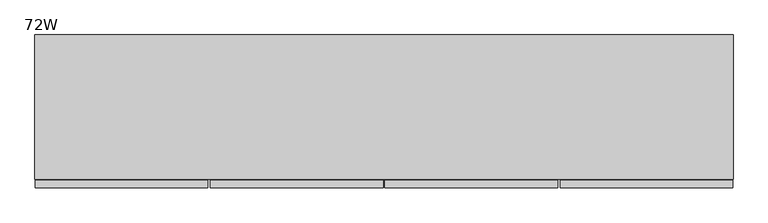
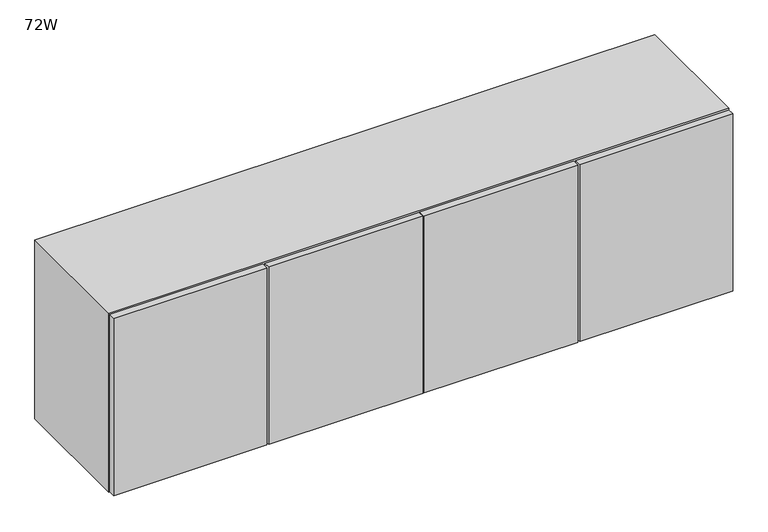
"""IFC4 building model written with IfcOpenShell, lengths in millimetres: furniture geometry, 72W."""

import ifcopenshell
import ifcopenshell.guid

model = None  # the IFC model being written
_history = None  # IfcOwnerHistory: only IFC2X3 demands one
_inside = {}  # id of a spatial element -> (the spatial element, [elements in it])
_under = {}  # id of a project, library or spatial element -> (it, [spatial elements below it])
_declared = {}  # id of a project -> (the project, [libraries it declares])
_typed = {}  # id of a type object -> (the type object, [elements of that type])
_made_of = {}  # id of a material, layer set ... -> (it, [elements and type objects made of it])


def new_model(schema):
    """Start an empty IFC model of exactly this schema.

    Asked for "IFC4X3", IfcOpenShell would pick the latest addendum, in which some entities
    have other attributes; the version numbers below select the first issue.
    IFC2X3 requires an IfcOwnerHistory on every rooted entity: one is made here for all.
    """
    global model, _history
    if schema == "IFC4X3":
        model = ifcopenshell.file(schema_version=(4, 3, 0, 0))
    else:
        model = ifcopenshell.file(schema=schema)
    _inside.clear()
    _under.clear()
    _declared.clear()
    _typed.clear()
    _made_of.clear()
    _history = None
    if model.schema == "IFC2X3":
        org = make("IfcOrganization", Name="unknown")
        user = make(
            "IfcPersonAndOrganization",
            ThePerson=make("IfcPerson", FamilyName="unknown"),
            TheOrganization=org,
        )
        app = make(
            "IfcApplication",
            ApplicationDeveloper=org,
            Version="unknown",
            ApplicationFullName="unknown",
            ApplicationIdentifier="unknown",
        )
        _history = make(
            "IfcOwnerHistory",
            OwningUser=user,
            OwningApplication=app,
            ChangeAction="ADDED",
            CreationDate=0,
        )
    return model


def make(cls, **values):
    """One entity of the class cls with the attributes given. An attribute that is None is left unset."""
    return model.create_entity(
        cls, **{name: value for name, value in values.items() if value is not None}
    )


def rooted(cls, **values):
    """An entity with a GlobalId (a new one), such as an element, a storey or a relation."""
    return make(cls, GlobalId=ifcopenshell.guid.new(), OwnerHistory=_history, **values)


def si_unit(unit_type, name, prefix=None):
    """IfcSIUnit, for example si_unit("LENGTHUNIT", "METRE", prefix="MILLI")."""
    return make("IfcSIUnit", UnitType=unit_type, Prefix=prefix, Name=name)


def assignment(units):
    """IfcUnitAssignment: the units of a project."""
    return None if units is None else make("IfcUnitAssignment", Units=units)


def point(xyz):
    """IfcCartesianPoint."""
    return None if xyz is None else make("IfcCartesianPoint", Coordinates=xyz)


def direction(xyz):
    """IfcDirection."""
    return None if xyz is None else make("IfcDirection", DirectionRatios=xyz)


def frame(location, z_axis=None, x_axis=None):
    """IfcAxis2Placement3D, a coordinate frame: its origin and axes. An axis left out is left unset."""
    return make(
        "IfcAxis2Placement3D",
        Location=point(location),
        Axis=direction(z_axis),
        RefDirection=direction(x_axis),
    )


def origin():
    """The frame at (0, 0, 0) with its axes left unset."""
    return frame((0.0, 0.0, 0.0))


def place(relative_to, where):
    """IfcLocalPlacement: puts the frame where relative to a parent placement (None: the world)."""
    return make(
        "IfcLocalPlacement", PlacementRelTo=relative_to, RelativePlacement=where
    )


def context(
    kind, dimensions, precision=None, world=None, true_north=None, identifier=None
):
    """IfcGeometricRepresentationContext, for example the 3D "Model" context."""
    return make(
        "IfcGeometricRepresentationContext",
        ContextIdentifier=identifier,
        ContextType=kind,
        CoordinateSpaceDimension=dimensions,
        Precision=precision,
        WorldCoordinateSystem=world,
        TrueNorth=true_north,
    )


def project(units=None, contexts=None):
    """IfcProject with its units and contexts."""
    return rooted(
        "IfcProject",
        Name="project",
        RepresentationContexts=contexts,
        UnitsInContext=assignment(units),
    )


def spatial(cls, under=None, at=None, **own):
    """A site, building, storey or space (cls), placed at a placement, below another one or the project."""
    s = rooted(cls, ObjectPlacement=at, **own)
    if under is not None:
        _under.setdefault(under.id(), (under, []))[1].append(s)
    return s


def polyline(points):
    """IfcPolyline through the points."""
    return make("IfcPolyline", Points=[point(p) for p in points])


def outline(outer, holes=None, kind="AREA"):
    """IfcArbitraryClosedProfileDef: a profile drawn as a closed curve; with holes, ...WithVoids."""
    if holes is None:
        return make("IfcArbitraryClosedProfileDef", ProfileType=kind, OuterCurve=outer)
    return make(
        "IfcArbitraryProfileDefWithVoids",
        ProfileType=kind,
        OuterCurve=outer,
        InnerCurves=holes,
    )


def extrude(swept, where, along, depth):
    """IfcExtrudedAreaSolid: the profile swept, set in the frame where, extruded along a direction by depth."""
    return make(
        "IfcExtrudedAreaSolid",
        SweptArea=swept,
        Position=where,
        ExtrudedDirection=direction(along),
        Depth=depth,
    )


def faces_of(points, faces, orient=None, outer=None):
    """IfcFace entities. A face is a list of loops; a loop is a list of indices into points, from 0.

    orient and outer hold one flag for each loop. By default every Orientation is true, the
    first loop of a face is its IfcFaceOuterBound and the others are IfcFaceBound.
    """
    made = []
    for i, loops in enumerate(faces):
        bounds = []
        for j, loop in enumerate(loops):
            is_outer = j == 0 if outer is None else outer[i][j]
            bounds.append(
                make(
                    "IfcFaceOuterBound" if is_outer else "IfcFaceBound",
                    Bound=make("IfcPolyLoop", Polygon=[points[k] for k in loop]),
                    Orientation=True if orient is None else orient[i][j],
                )
            )
        made.append(make("IfcFace", Bounds=bounds))
    return made


def faceted_brep(points, faces, orient=None, outer=None, voids=None):
    """IfcFacetedBrep: a solid bounded by flat faces; with voids (closed shells), ...WithVoids."""
    shared = [point(p) for p in points]
    hull = make("IfcClosedShell", CfsFaces=faces_of(shared, faces, orient, outer))
    if voids is None:
        return make("IfcFacetedBrep", Outer=hull)
    return make(
        "IfcFacetedBrepWithVoids",
        Outer=hull,
        Voids=[
            make(cls, CfsFaces=faces_of(shared, fs, o, b)) for cls, fs, o, b in voids
        ],
    )


def shape(context_of_items, identifier, shape_type, items):
    """IfcShapeRepresentation: the items that make up one representation, for example the "Body"."""
    return make(
        "IfcShapeRepresentation",
        ContextOfItems=context_of_items,
        RepresentationIdentifier=identifier,
        RepresentationType=shape_type,
        Items=items,
    )


def source(mapping_origin, context_of_items, identifier, shape_type, items):
    """IfcRepresentationMap: a shape defined once, which mapped items show again and again."""
    return make(
        "IfcRepresentationMap",
        MappingOrigin=mapping_origin,
        MappedRepresentation=shape(context_of_items, identifier, shape_type, items),
    )


def transform(
    local_origin,
    x_axis=None,
    y_axis=None,
    z_axis=None,
    scale=None,
    scale2=None,
    scale3=None,
    uniform=True,
):
    """IfcCartesianTransformationOperator3D, or its non-uniform kind. x_axis, y_axis, z_axis: its Axis1, 2, 3."""
    if uniform:
        return make(
            "IfcCartesianTransformationOperator3D",
            Axis1=direction(x_axis),
            Axis2=direction(y_axis),
            LocalOrigin=point(local_origin),
            Scale=scale,
            Axis3=direction(z_axis),
        )
    return make(
        "IfcCartesianTransformationOperator3DnonUniform",
        Axis1=direction(x_axis),
        Axis2=direction(y_axis),
        LocalOrigin=point(local_origin),
        Scale=scale,
        Axis3=direction(z_axis),
        Scale2=scale2,
        Scale3=scale3,
    )


def mapped(mapping_source, mapping_target):
    """IfcMappedItem: shows the shape of a source again, moved by a transform."""
    return make(
        "IfcMappedItem", MappingSource=mapping_source, MappingTarget=mapping_target
    )


def made_of(thing, what):
    """Note that an element or type object is made of a material, layer set ...; save() writes the relation."""
    if what is not None:
        _made_of.setdefault(what.id(), (what, []))[1].append(thing)
    return thing


def element(
    cls,
    number,
    at=None,
    inside=None,
    cuts=None,
    type_object=None,
    material=None,
    context=None,
    identifier="Body",
    shape_type=None,
    held_by="IfcProductDefinitionShape",
    body=None,
    shapes=None,
    **own,
):
    """One element of the class cls, such as IfcWall. Its Tag is "e" and its number.

    at: its placement. inside: the storey or other place that contains it. cuts: it is an
    opening in that element (IfcRelVoidsElement). A single representation is given by context,
    identifier, shape_type and body (its items); several are given by shapes. held_by: the class
    of the entity that holds the representations. save() writes the other relations.
    """
    e = rooted(cls, Tag="e%d" % number, ObjectPlacement=at, **own)
    if body is not None:
        shapes = [shape(context, identifier, shape_type, body)]
    if shapes is not None:
        e.Representation = make(held_by, Representations=shapes)
    if inside is not None:
        _inside.setdefault(inside.id(), (inside, []))[1].append(e)
    if cuts is not None:
        rooted(
            "IfcRelVoidsElement", RelatingBuildingElement=cuts, RelatedOpeningElement=e
        )
    if type_object is not None:
        _typed.setdefault(type_object.id(), (type_object, []))[1].append(e)
    return made_of(e, material)


def aggregate(whole, parts):
    """IfcRelAggregates: a whole, such as a stair, and the parts it consists of."""
    return rooted("IfcRelAggregates", RelatingObject=whole, RelatedObjects=parts)


def save(model, path):
    """Write the relations noted so far, then the file.

    IfcRelAggregates (storeys below a building ...), IfcRelContainedInSpatialStructure (elements
    in a storey), IfcRelDefinesByType, IfcRelAssociatesMaterial and IfcRelDeclares: one each for
    every whole, place, type object, material and project.
    """
    for whole, parts in _under.values():
        aggregate(whole, parts)
    for where, things in _inside.values():
        rooted(
            "IfcRelContainedInSpatialStructure",
            RelatedElements=things,
            RelatingStructure=where,
        )
    for kind, things in _typed.values():
        rooted("IfcRelDefinesByType", RelatedObjects=things, RelatingType=kind)
    for what, things in _made_of.values():
        rooted("IfcRelAssociatesMaterial", RelatedObjects=things, RelatingMaterial=what)
    for by, libraries in _declared.values():
        rooted("IfcRelDeclares", RelatingContext=by, RelatedDefinitions=libraries)
    model.write(path)


def furniture_72w_4e4fd46c(model_context):
    return source(origin(), model_context, "Body", "SolidModel", [
        extrude(outline(polyline([(915.4792985, -380.3650097), (1369.2505543, -380.3650097), (1369.2505543, -400.05), (915.4792985, -400.05), (915.4792985, -380.3650097)])), frame((0.0, 0.0, 1111.1992008), z_axis=(0.0, 0.0, 1.0), x_axis=(1.0, 0.0, 0.0)), (0.0, 0.0, 1.0), 552.8055984),
        extrude(outline(polyline([(912.3044302, -380.3650097), (912.3044302, -400.05), (458.5337558, -400.05), (458.5337558, -380.3650097), (912.3044302, -380.3650097)])), frame((0.0, 0.0, 1111.1992008), z_axis=(0.0, 0.0, 1.0), x_axis=(1.0, 0.0, 0.0)), (0.0, 0.0, 1.0), 552.8055984),
        extrude(outline(polyline([(452.7676736, -380.3650097), (452.7676736, -400.05), (1.5010712, -400.05), (1.5010712, -380.3650097), (452.7676736, -380.3650097)])), frame((0.0, 0.0, 1111.1992008), z_axis=(0.0, 0.0, 1.0), x_axis=(1.0, 0.0, 0.0)), (0.0, 0.0, 1.0), 552.8055984),
        extrude(outline(polyline([(1826.26, -380.3650097), (1826.26, -400.05), (1375.0796868, -400.05), (1375.0796868, -380.3650097), (1826.26, -380.3650097)])), frame((0.0, 0.0, 1111.1992008), z_axis=(0.0, 0.0, 1.0), x_axis=(1.0, 0.0, 0.0)), (0.0, 0.0, 1.0), 552.8055984),
        faceted_brep([(903.8084682, -377.8757721, 1128.3696643), (903.8084682, -377.8757721, 1646.8343357), (903.8084682, -20.1675917, 1646.8343357), (903.8084682, -20.1675917, 1128.3696643), (0.0, -377.8757721, 1667.002), (0.0, -377.8757721, 1108.202), (1827.784, -377.8757721, 1108.202), (1827.784, -377.8757721, 1667.002), (467.0296868, -377.8757721, 1128.3696643), (467.0296868, -377.8757721, 1646.8343357), (923.9755318, -377.8757721, 1128.3696643), (923.9755318, -377.8757721, 1646.8343357), (1360.7543132, -377.8757721, 1646.8343357), (1360.7543132, -377.8757721, 1128.3696643), (1807.6166263, -377.8757721, 1646.8343357), (1807.6166263, -377.8757721, 1128.3696643), (1380.9216868, -377.8757721, 1128.3696643), (1380.9216868, -377.8757721, 1646.8343357), (20.1673737, -377.8757721, 1128.3696643), (20.1673737, -377.8757721, 1646.8343357), (446.8623132, -377.8757721, 1646.8343357), (446.8623132, -377.8757721, 1128.3696643), (923.9755318, -20.1675917, 1128.3696643), (923.9755318, -20.1675917, 1646.8343357), (467.0296868, -20.1675917, 1128.3696643), (1360.7543132, -20.1675917, 1128.3696643), (20.1673737, -20.1675917, 1128.3696643), (446.8623132, -20.1675917, 1128.3696643), (1807.6166263, -20.1675917, 1128.3696643), (1380.9216868, -20.1675917, 1128.3696643), (0.0, 0.0, 1108.202), (1827.784, 0.0, 1108.202), (0.0, 0.0, 1667.002), (1827.784, 0.0, 1667.002), (20.1673737, -20.1675917, 1646.8343357), (467.0296868, -20.1675917, 1646.8343357), (1360.7543132, -20.1675917, 1646.8343357), (446.8623132, -20.1675917, 1646.8343357), (1807.6166263, -20.1675917, 1646.8343357), (1380.9216868, -20.1675917, 1646.8343357)], [[[0, 1, 2, 3]], [[4, 5, 6, 7], [1, 0, 8, 9], [10, 11, 12, 13], [14, 15, 16, 17], [18, 19, 20, 21]], [[11, 10, 22, 23]], [[0, 3, 24, 8]], [[22, 10, 13, 25]], [[26, 18, 21, 27]], [[15, 28, 29, 16]], [[30, 31, 6, 5]], [[32, 4, 7, 33]], [[4, 32, 30, 5]], [[18, 26, 34, 19]], [[3, 2, 35, 24]], [[23, 22, 25, 36]], [[34, 26, 27, 37]], [[28, 38, 39, 29]], [[28, 15, 14, 38]], [[33, 7, 6, 31]], [[32, 33, 31, 30]], [[2, 1, 9, 35]], [[11, 23, 36, 12]], [[19, 34, 37, 20]], [[38, 14, 17, 39]], [[21, 20, 37, 27]], [[9, 8, 24, 35]], [[13, 12, 36, 25]], [[17, 16, 29, 39]]]),
    ])


if __name__ == "__main__":
    model = new_model("IFC4")
    model_context = context("Model", 3, world=origin())
    ifc_project = project(units=[si_unit("LENGTHUNIT", "METRE", prefix="MILLI")], contexts=[model_context])
    site = spatial("IfcSite", under=ifc_project)
    building = spatial("IfcBuilding", under=site)
    placement = place(None, origin())
    furniture_72w_shape = furniture_72w_4e4fd46c(model_context)
    element("IfcFurniture", 1, ObjectType="72W", at=placement, inside=building, context=model_context, shape_type="MappedRepresentation", body=[
        mapped(furniture_72w_shape, transform((0.0, 0.0, 0.0), x_axis=(1.0, 0.0, 0.0), y_axis=(0.0, 1.0, 0.0), z_axis=(0.0, 0.0, 1.0))),
    ])
    save(model, "model.ifc")
